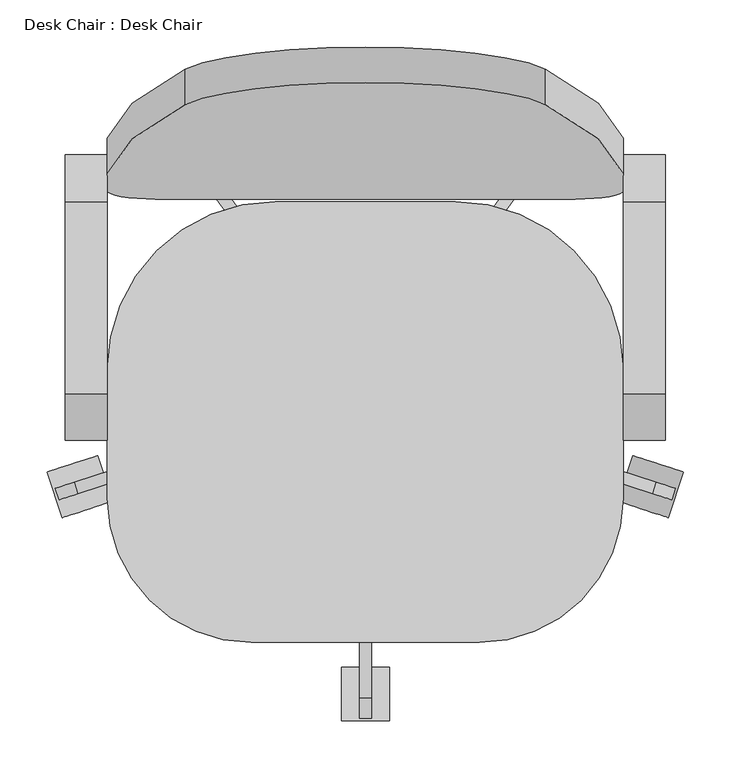
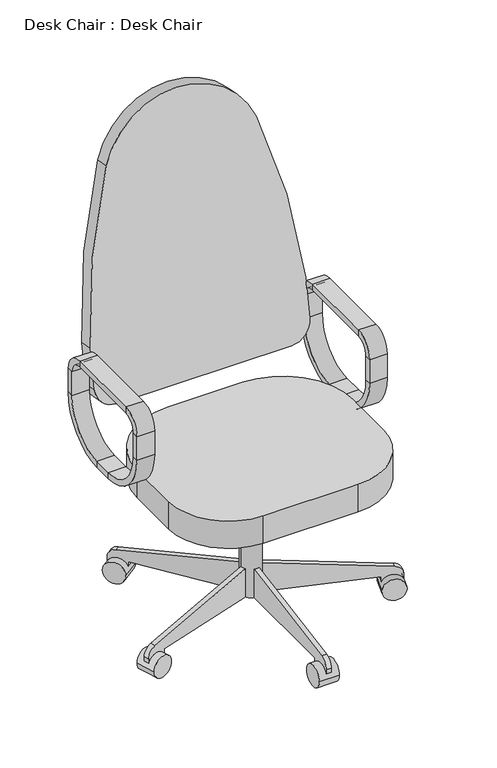
"""IFC4 building model written with IfcOpenShell, lengths in millimetres: furniture geometry, Desk Chair : Desk Chair."""

from ifc_helpers import new_model, si_unit, point, frame, frame_2d, origin, place, context, project, spatial, polyline, circle_curve, trimmed, segment, composite_curve, outline, extrude, source, transform, mapped, element, save
from ifc_brep_helpers import plane_surface, cylinder_surface, revolved_surface, advanced_brep


def desk_chair_desk_chair_a5be4872(model_context):
    return source(origin(), model_context, "Body", "SolidModel", [
        advanced_brep(
        [(-176.5091803, 217.7873012, 546.1), (-176.5091803, 233.6623012, 546.1), (-176.5091803, 108.0540984, 420.4917972), (-176.5091803, 108.0540984, 436.3667972), (-132.0591803, 217.7873012, 546.1), (-132.0591803, 108.0540984, 436.3667972), (-132.0591803, 233.6623012, 546.1), (-132.0591803, 108.0540984, 420.4917972), (-176.5091803, 217.7873012, 609.6), (-176.5091803, 233.6623012, 609.6), (-132.0591803, 217.7873012, 609.6), (-132.0591803, 233.6623012, 609.6), (-176.5091803, 184.2540984, 643.1332028), (-176.5091803, 184.2540984, 659.0082028), (-132.0591803, 184.2540984, 643.1332028), (-132.0591803, 184.2540984, 659.0082028), (-176.5091803, -18.9459016, 643.1332028), (-176.5091803, -18.9459016, 659.0082028), (-132.0591803, -18.9459016, 643.1332028), (-132.0591803, -18.9459016, 659.0082028), (-176.5091803, -52.4791044, 609.6), (-176.5091803, -68.3541044, 609.6), (-132.0591803, -52.4791044, 609.6), (-132.0591803, -68.3541044, 609.6), (-176.5091803, -52.4791044, 546.1), (-176.5091803, -68.3541044, 546.1), (-132.0591803, -52.4791044, 546.1), (-132.0591803, -68.3541044, 546.1), (-176.5091803, 57.2540984, 436.3667972), (-176.5091803, 57.2540984, 420.4917972), (-132.0591803, 57.2540984, 436.3667972), (-132.0591803, 57.2540984, 420.4917972)],
        [
            (0, 1),
            (1, 2, circle_curve(frame((-176.5091803, 108.0540984, 546.1), z_axis=(-1.0, 0.0, 0.0), x_axis=(0.0, 0.0, -1.0)), 125.6082028)),
            (2, 3),
            (3, 0, circle_curve(frame((-176.5091803, 108.0540984, 546.1), z_axis=(1.0, 0.0, 0.0), x_axis=(0.0, 0.0, -1.0)), 109.7332028)),
            (4, 0),
            (3, 5),
            (5, 4, circle_curve(frame((-132.0591803, 108.0540984, 546.1), z_axis=(1.0, 0.0, 0.0), x_axis=(0.0, 0.0, -1.0)), 109.7332028)),
            (6, 4),
            (5, 7),
            (7, 6, circle_curve(frame((-132.0591803, 108.0540984, 546.1), z_axis=(1.0, 0.0, 0.0), x_axis=(0.0, 0.0, -1.0)), 125.6082028)),
            (1, 6),
            (7, 2),
            (0, 8),
            (8, 9),
            (9, 1),
            (4, 10),
            (10, 8),
            (6, 11),
            (11, 10),
            (9, 11),
            (12, 13),
            (13, 9, circle_curve(frame((-176.5091803, 184.2540984, 609.6), z_axis=(-1.0, 0.0, 0.0), x_axis=(0.0, 1.0, 0.0)), 49.4082028)),
            (8, 12, circle_curve(frame((-176.5091803, 184.2540984, 609.6), z_axis=(1.0, 0.0, 0.0), x_axis=(0.0, 1.0, 0.0)), 33.5332028)),
            (14, 12),
            (10, 14, circle_curve(frame((-132.0591803, 184.2540984, 609.6), z_axis=(1.0, 0.0, 0.0), x_axis=(0.0, 1.0, 0.0)), 33.5332028)),
            (15, 14),
            (11, 15, circle_curve(frame((-132.0591803, 184.2540984, 609.6), z_axis=(1.0, 0.0, 0.0), x_axis=(0.0, 1.0, 0.0)), 49.4082028)),
            (13, 15),
            (12, 16),
            (16, 17),
            (17, 13),
            (14, 18),
            (18, 16),
            (15, 19),
            (19, 18),
            (17, 19),
            (20, 21),
            (21, 17, circle_curve(frame((-176.5091803, -18.9459016, 609.6), z_axis=(-1.0, 0.0, 0.0), x_axis=(0.0, 0.0, 1.0)), 49.4082028)),
            (16, 20, circle_curve(frame((-176.5091803, -18.9459016, 609.6), z_axis=(1.0, 0.0, 0.0), x_axis=(0.0, 0.0, 1.0)), 33.5332028)),
            (22, 20),
            (18, 22, circle_curve(frame((-132.0591803, -18.9459016, 609.6), z_axis=(1.0, 0.0, 0.0), x_axis=(0.0, 0.0, 1.0)), 33.5332028)),
            (23, 22),
            (19, 23, circle_curve(frame((-132.0591803, -18.9459016, 609.6), z_axis=(1.0, 0.0, 0.0), x_axis=(0.0, 0.0, 1.0)), 49.4082028)),
            (21, 23),
            (20, 24),
            (24, 25),
            (25, 21),
            (22, 26),
            (26, 24),
            (23, 27),
            (27, 26),
            (25, 27),
            (28, 29),
            (29, 25, circle_curve(frame((-176.5091803, 57.2540984, 546.1), z_axis=(-1.0, 0.0, 0.0), x_axis=(0.0, -1.0, 0.0)), 125.6082028)),
            (24, 28, circle_curve(frame((-176.5091803, 57.2540984, 546.1), z_axis=(1.0, 0.0, 0.0), x_axis=(0.0, -1.0, 0.0)), 109.7332028)),
            (30, 28),
            (26, 30, circle_curve(frame((-132.0591803, 57.2540984, 546.1), z_axis=(1.0, 0.0, 0.0), x_axis=(0.0, -1.0, 0.0)), 109.7332028)),
            (31, 30),
            (27, 31, circle_curve(frame((-132.0591803, 57.2540984, 546.1), z_axis=(1.0, 0.0, 0.0), x_axis=(0.0, -1.0, 0.0)), 125.6082028)),
            (29, 31),
            (28, 3),
            (2, 29),
            (30, 5),
            (31, 7),
        ],
        [
            plane_surface(frame((-176.5091803, 108.0540984, 546.1), z_axis=(-1.0, 0.0, 0.0), x_axis=(0.0, 0.0, -1.0))),
            revolved_surface(polyline([(-176.5091803, 108.0540984, 436.3667972), (-132.0591803, 108.0540984, 436.3667972)]), (-132.0591803, 108.0540984, 546.1), (-1.0, 0.0, 0.0)),
            plane_surface(frame((-132.0591803, 108.0540984, 546.1), z_axis=(1.0, 0.0, 0.0), x_axis=(0.0, 0.0, -1.0))),
            cylinder_surface(frame((-132.0591803, 108.0540984, 546.1), z_axis=(-1.0, 0.0, 0.0), x_axis=(0.0, 0.0, -1.0)), 125.6082028),
            plane_surface(frame((-176.5091803, 233.6623012, 546.1), z_axis=(-1.0, 0.0, 0.0), x_axis=(0.0, 0.0, 1.0))),
            plane_surface(frame((-176.5091803, 217.7873012, 546.1), z_axis=(0.0, -1.0, 0.0), x_axis=(0.0, 0.0, 1.0))),
            plane_surface(frame((-132.0591803, 217.7873012, 546.1), z_axis=(1.0, 0.0, 0.0), x_axis=(0.0, 0.0, 1.0))),
            plane_surface(frame((-132.0591803, 233.6623012, 546.1), z_axis=(0.0, 1.0, 0.0), x_axis=(0.0, 0.0, 1.0))),
            plane_surface(frame((-176.5091803, 184.2540984, 609.6), z_axis=(-1.0, 0.0, 0.0), x_axis=(0.0, 1.0, 0.0))),
            revolved_surface(polyline([(-176.5091803, 217.7873012, 609.6), (-132.0591803, 217.7873012, 609.6)]), (-132.0591803, 184.2540984, 609.6), (-1.0, 0.0, 0.0)),
            plane_surface(frame((-132.0591803, 184.2540984, 609.6), z_axis=(1.0, 0.0, 0.0), x_axis=(0.0, 1.0, 0.0))),
            cylinder_surface(frame((-132.0591803, 184.2540984, 609.6), z_axis=(-1.0, 0.0, 0.0), x_axis=(0.0, 1.0, 0.0)), 49.4082028),
            plane_surface(frame((-176.5091803, 184.2540984, 659.0082028), z_axis=(-1.0, 0.0, 0.0), x_axis=(0.0, -1.0, 0.0))),
            plane_surface(frame((-176.5091803, 184.2540984, 643.1332028), z_axis=(0.0, 0.0, -1.0), x_axis=(0.0, -1.0, 0.0))),
            plane_surface(frame((-132.0591803, 184.2540984, 643.1332028), z_axis=(1.0, 0.0, 0.0), x_axis=(0.0, -1.0, 0.0))),
            plane_surface(frame((-132.0591803, 184.2540984, 659.0082028), z_axis=(0.0, 0.0, 1.0), x_axis=(0.0, -1.0, 0.0))),
            plane_surface(frame((-176.5091803, -18.9459016, 609.6), z_axis=(-1.0, 0.0, 0.0), x_axis=(0.0, 0.0, 1.0))),
            revolved_surface(polyline([(-176.5091803, -18.9459016, 643.1332028), (-132.0591803, -18.9459016, 643.1332028)]), (-132.0591803, -18.9459016, 609.6), (-1.0, 0.0, 0.0)),
            plane_surface(frame((-132.0591803, -18.9459016, 609.6), z_axis=(1.0, 0.0, 0.0), x_axis=(0.0, 0.0, 1.0))),
            cylinder_surface(frame((-132.0591803, -18.9459016, 609.6), z_axis=(-1.0, 0.0, 0.0), x_axis=(0.0, 0.0, 1.0)), 49.4082028),
            plane_surface(frame((-176.5091803, -68.3541044, 609.6), z_axis=(-1.0, 0.0, 0.0), x_axis=(0.0, 0.0, -1.0))),
            plane_surface(frame((-176.5091803, -52.4791044, 609.6), z_axis=(0.0, 1.0, 0.0), x_axis=(0.0, 0.0, -1.0))),
            plane_surface(frame((-132.0591803, -52.4791044, 609.6), z_axis=(1.0, 0.0, 0.0), x_axis=(0.0, 0.0, -1.0))),
            plane_surface(frame((-132.0591803, -68.3541044, 609.6), z_axis=(0.0, -1.0, 0.0), x_axis=(0.0, 0.0, -1.0))),
            plane_surface(frame((-176.5091803, 57.2540984, 546.1), z_axis=(-1.0, 0.0, 0.0), x_axis=(0.0, -1.0, 0.0))),
            revolved_surface(polyline([(-176.5091803, -52.479104400000004, 546.1), (-132.0591803, -52.479104400000004, 546.1)]), (-132.0591803, 57.2540984, 546.1), (-1.0, 0.0, 0.0)),
            plane_surface(frame((-132.0591803, 57.2540984, 546.1), z_axis=(1.0, 0.0, 0.0), x_axis=(0.0, -1.0, 0.0))),
            cylinder_surface(frame((-132.0591803, 57.2540984, 546.1), z_axis=(-1.0, 0.0, 0.0), x_axis=(0.0, -1.0, 0.0)), 125.6082028),
            plane_surface(frame((-176.5091803, 57.2540984, 420.4917972), z_axis=(-1.0, 0.0, 0.0), x_axis=(0.0, 1.0, 0.0))),
            plane_surface(frame((-176.5091803, 57.2540984, 436.3667972), z_axis=(0.0, 0.0, 1.0), x_axis=(0.0, 1.0, 0.0))),
            plane_surface(frame((-132.0591803, 57.2540984, 436.3667972), z_axis=(1.0, 0.0, 0.0), x_axis=(0.0, 1.0, 0.0))),
            plane_surface(frame((-132.0591803, 57.2540984, 420.4917972), z_axis=(0.0, 0.0, -1.0), x_axis=(0.0, 1.0, 0.0))),
        ],
        [
            (0, [[1, 2, 3, 4]]),
            (1, [[5, -4, 6, 7]]),
            (2, [[8, -7, 9, 10]]),
            (3, [[11, -10, 12, -2]]),
            (4, [[13, 14, 15, -1]]),
            (5, [[16, 17, -13, -5]]),
            (6, [[18, 19, -16, -8]]),
            (7, [[-15, 20, -18, -11]]),
            (8, [[21, 22, -14, 23]]),
            (9, [[24, -23, -17, 25]]),
            (10, [[26, -25, -19, 27]]),
            (11, [[28, -27, -20, -22]]),
            (12, [[29, 30, 31, -21]]),
            (13, [[32, 33, -29, -24]]),
            (14, [[34, 35, -32, -26]]),
            (15, [[-31, 36, -34, -28]]),
            (16, [[37, 38, -30, 39]]),
            (17, [[40, -39, -33, 41]]),
            (18, [[42, -41, -35, 43]]),
            (19, [[44, -43, -36, -38]]),
            (20, [[45, 46, 47, -37]]),
            (21, [[48, 49, -45, -40]]),
            (22, [[50, 51, -48, -42]]),
            (23, [[-47, 52, -50, -44]]),
            (24, [[53, 54, -46, 55]]),
            (25, [[56, -55, -49, 57]]),
            (26, [[58, -57, -51, 59]]),
            (27, [[60, -59, -52, -54]]),
            (28, [[61, -3, 62, -53]]),
            (29, [[63, -6, -61, -56]]),
            (30, [[64, -9, -63, -58]]),
            (31, [[-62, -12, -64, -60]]),
        ],
    ),
        advanced_brep(
        [(414.0408197, 233.6623012, 546.1), (458.4908197, 233.6623012, 546.1), (458.4908197, 108.0540984, 420.4917972), (414.0408197, 108.0540984, 420.4917972), (414.0408197, 217.7873012, 546.1), (414.0408197, 108.0540984, 436.3667972), (458.4908197, 217.7873012, 546.1), (458.4908197, 108.0540984, 436.3667972), (414.0408197, 233.6623012, 609.6), (458.4908197, 233.6623012, 609.6), (414.0408197, 217.7873012, 609.6), (458.4908197, 217.7873012, 609.6), (414.0408197, 184.2540984, 659.0082028), (458.4908197, 184.2540984, 659.0082028), (414.0408197, 184.2540984, 643.1332028), (458.4908197, 184.2540984, 643.1332028), (414.0408197, -18.9459016, 659.0082028), (458.4908197, -18.9459016, 659.0082028), (414.0408197, -18.9459016, 643.1332028), (458.4908197, -18.9459016, 643.1332028), (414.0408197, -68.3541044, 609.6), (458.4908197, -68.3541044, 609.6), (414.0408197, -52.4791044, 609.6), (458.4908197, -52.4791044, 609.6), (414.0408197, -68.3541044, 546.1), (458.4908197, -68.3541044, 546.1), (414.0408197, -52.4791044, 546.1), (458.4908197, -52.4791044, 546.1), (414.0408197, 57.2540984, 420.4917972), (458.4908197, 57.2540984, 420.4917972), (414.0408197, 57.2540984, 436.3667972), (458.4908197, 57.2540984, 436.3667972)],
        [
            (0, 1),
            (1, 2, circle_curve(frame((458.4908197, 108.0540984, 546.1), z_axis=(-1.0, 0.0, 0.0), x_axis=(0.0, 0.0, -1.0)), 125.6082028)),
            (2, 3),
            (3, 0, circle_curve(frame((414.0408197, 108.0540984, 546.1), z_axis=(1.0, 0.0, 0.0), x_axis=(0.0, 0.0, -1.0)), 125.6082028)),
            (4, 0),
            (3, 5),
            (5, 4, circle_curve(frame((414.0408197, 108.0540984, 546.1), z_axis=(1.0, 0.0, 0.0), x_axis=(0.0, 0.0, -1.0)), 109.7332028)),
            (6, 4),
            (5, 7),
            (7, 6, circle_curve(frame((458.4908197, 108.0540984, 546.1), z_axis=(1.0, 0.0, 0.0), x_axis=(0.0, 0.0, -1.0)), 109.7332028)),
            (1, 6),
            (7, 2),
            (0, 8),
            (8, 9),
            (9, 1),
            (4, 10),
            (10, 8),
            (6, 11),
            (11, 10),
            (9, 11),
            (12, 13),
            (13, 9, circle_curve(frame((458.4908197, 184.2540984, 609.6), z_axis=(-1.0, 0.0, 0.0), x_axis=(0.0, 1.0, 0.0)), 49.4082028)),
            (8, 12, circle_curve(frame((414.0408197, 184.2540984, 609.6), z_axis=(1.0, 0.0, 0.0), x_axis=(0.0, 1.0, 0.0)), 49.4082028)),
            (14, 12),
            (10, 14, circle_curve(frame((414.0408197, 184.2540984, 609.6), z_axis=(1.0, 0.0, 0.0), x_axis=(0.0, 1.0, 0.0)), 33.5332028)),
            (15, 14),
            (11, 15, circle_curve(frame((458.4908197, 184.2540984, 609.6), z_axis=(1.0, 0.0, 0.0), x_axis=(0.0, 1.0, 0.0)), 33.5332028)),
            (13, 15),
            (12, 16),
            (16, 17),
            (17, 13),
            (14, 18),
            (18, 16),
            (15, 19),
            (19, 18),
            (17, 19),
            (20, 21),
            (21, 17, circle_curve(frame((458.4908197, -18.9459016, 609.6), z_axis=(-1.0, 0.0, 0.0), x_axis=(0.0, 0.0, 1.0)), 49.4082028)),
            (16, 20, circle_curve(frame((414.0408197, -18.9459016, 609.6), z_axis=(1.0, 0.0, 0.0), x_axis=(0.0, 0.0, 1.0)), 49.4082028)),
            (22, 20),
            (18, 22, circle_curve(frame((414.0408197, -18.9459016, 609.6), z_axis=(1.0, 0.0, 0.0), x_axis=(0.0, 0.0, 1.0)), 33.5332028)),
            (23, 22),
            (19, 23, circle_curve(frame((458.4908197, -18.9459016, 609.6), z_axis=(1.0, 0.0, 0.0), x_axis=(0.0, 0.0, 1.0)), 33.5332028)),
            (21, 23),
            (20, 24),
            (24, 25),
            (25, 21),
            (22, 26),
            (26, 24),
            (23, 27),
            (27, 26),
            (25, 27),
            (28, 29),
            (29, 25, circle_curve(frame((458.4908197, 57.2540984, 546.1), z_axis=(-1.0, 0.0, 0.0), x_axis=(0.0, -1.0, 0.0)), 125.6082028)),
            (24, 28, circle_curve(frame((414.0408197, 57.2540984, 546.1), z_axis=(1.0, 0.0, 0.0), x_axis=(0.0, -1.0, 0.0)), 125.6082028)),
            (30, 28),
            (26, 30, circle_curve(frame((414.0408197, 57.2540984, 546.1), z_axis=(1.0, 0.0, 0.0), x_axis=(0.0, -1.0, 0.0)), 109.7332028)),
            (31, 30),
            (27, 31, circle_curve(frame((458.4908197, 57.2540984, 546.1), z_axis=(1.0, 0.0, 0.0), x_axis=(0.0, -1.0, 0.0)), 109.7332028)),
            (29, 31),
            (28, 3),
            (2, 29),
            (30, 5),
            (31, 7),
        ],
        [
            cylinder_surface(frame((414.0408197, 108.0540984, 546.1), z_axis=(-1.0, 0.0, 0.0), x_axis=(0.0, 0.0, -1.0)), 125.6082028),
            plane_surface(frame((414.0408197, 108.0540984, 546.1), z_axis=(-1.0, 0.0, 0.0), x_axis=(0.0, 0.0, -1.0))),
            revolved_surface(polyline([(414.0408197, 108.0540984, 436.3667972), (458.4908197, 108.0540984, 436.3667972)]), (414.0408197, 108.0540984, 546.1), (-1.0, 0.0, 0.0)),
            plane_surface(frame((458.4908197, 108.0540984, 546.1), z_axis=(1.0, 0.0, 0.0), x_axis=(0.0, 0.0, -1.0))),
            plane_surface(frame((458.4908197, 233.6623012, 546.1), z_axis=(0.0, 1.0, 0.0), x_axis=(0.0, 0.0, 1.0))),
            plane_surface(frame((414.0408197, 233.6623012, 546.1), z_axis=(-1.0, 0.0, 0.0), x_axis=(0.0, 0.0, 1.0))),
            plane_surface(frame((414.0408197, 217.7873012, 546.1), z_axis=(0.0, -1.0, 0.0), x_axis=(0.0, 0.0, 1.0))),
            plane_surface(frame((458.4908197, 217.7873012, 546.1), z_axis=(1.0, 0.0, 0.0), x_axis=(0.0, 0.0, 1.0))),
            cylinder_surface(frame((414.0408197, 184.2540984, 609.6), z_axis=(-1.0, 0.0, 0.0), x_axis=(0.0, 1.0, 0.0)), 49.4082028),
            plane_surface(frame((414.0408197, 184.2540984, 609.6), z_axis=(-1.0, 0.0, 0.0), x_axis=(0.0, 1.0, 0.0))),
            revolved_surface(polyline([(414.0408197, 217.7873012, 609.6), (458.4908197, 217.7873012, 609.6)]), (414.0408197, 184.2540984, 609.6), (-1.0, 0.0, 0.0)),
            plane_surface(frame((458.4908197, 184.2540984, 609.6), z_axis=(1.0, 0.0, 0.0), x_axis=(0.0, 1.0, 0.0))),
            plane_surface(frame((458.4908197, 184.2540984, 659.0082028), z_axis=(0.0, 0.0, 1.0), x_axis=(0.0, -1.0, 0.0))),
            plane_surface(frame((414.0408197, 184.2540984, 659.0082028), z_axis=(-1.0, 0.0, 0.0), x_axis=(0.0, -1.0, 0.0))),
            plane_surface(frame((414.0408197, 184.2540984, 643.1332028), z_axis=(0.0, 0.0, -1.0), x_axis=(0.0, -1.0, 0.0))),
            plane_surface(frame((458.4908197, 184.2540984, 643.1332028), z_axis=(1.0, 0.0, 0.0), x_axis=(0.0, -1.0, 0.0))),
            cylinder_surface(frame((414.0408197, -18.9459016, 609.6), z_axis=(-1.0, 0.0, 0.0), x_axis=(0.0, 0.0, 1.0)), 49.4082028),
            plane_surface(frame((414.0408197, -18.9459016, 609.6), z_axis=(-1.0, 0.0, 0.0), x_axis=(0.0, 0.0, 1.0))),
            revolved_surface(polyline([(414.0408197, -18.9459016, 643.1332028), (458.4908197, -18.9459016, 643.1332028)]), (414.0408197, -18.9459016, 609.6), (-1.0, 0.0, 0.0)),
            plane_surface(frame((458.4908197, -18.9459016, 609.6), z_axis=(1.0, 0.0, 0.0), x_axis=(0.0, 0.0, 1.0))),
            plane_surface(frame((458.4908197, -68.3541044, 609.6), z_axis=(0.0, -1.0, 0.0), x_axis=(0.0, 0.0, -1.0))),
            plane_surface(frame((414.0408197, -68.3541044, 609.6), z_axis=(-1.0, 0.0, 0.0), x_axis=(0.0, 0.0, -1.0))),
            plane_surface(frame((414.0408197, -52.4791044, 609.6), z_axis=(0.0, 1.0, 0.0), x_axis=(0.0, 0.0, -1.0))),
            plane_surface(frame((458.4908197, -52.4791044, 609.6), z_axis=(1.0, 0.0, 0.0), x_axis=(0.0, 0.0, -1.0))),
            cylinder_surface(frame((414.0408197, 57.2540984, 546.1), z_axis=(-1.0, 0.0, 0.0), x_axis=(0.0, -1.0, 0.0)), 125.6082028),
            plane_surface(frame((414.0408197, 57.2540984, 546.1), z_axis=(-1.0, 0.0, 0.0), x_axis=(0.0, -1.0, 0.0))),
            revolved_surface(polyline([(414.0408197, -52.479104400000004, 546.1), (458.4908197, -52.479104400000004, 546.1)]), (414.0408197, 57.2540984, 546.1), (-1.0, 0.0, 0.0)),
            plane_surface(frame((458.4908197, 57.2540984, 546.1), z_axis=(1.0, 0.0, 0.0), x_axis=(0.0, -1.0, 0.0))),
            plane_surface(frame((458.4908197, 57.2540984, 420.4917972), z_axis=(0.0, 0.0, -1.0), x_axis=(0.0, 1.0, 0.0))),
            plane_surface(frame((414.0408197, 57.2540984, 420.4917972), z_axis=(-1.0, 0.0, 0.0), x_axis=(0.0, 1.0, 0.0))),
            plane_surface(frame((414.0408197, 57.2540984, 436.3667972), z_axis=(0.0, 0.0, 1.0), x_axis=(0.0, 1.0, 0.0))),
            plane_surface(frame((458.4908197, 57.2540984, 436.3667972), z_axis=(1.0, 0.0, 0.0), x_axis=(0.0, 1.0, 0.0))),
        ],
        [
            (0, [[1, 2, 3, 4]]),
            (1, [[5, -4, 6, 7]]),
            (2, [[8, -7, 9, 10]]),
            (3, [[11, -10, 12, -2]]),
            (4, [[13, 14, 15, -1]]),
            (5, [[16, 17, -13, -5]]),
            (6, [[18, 19, -16, -8]]),
            (7, [[-15, 20, -18, -11]]),
            (8, [[21, 22, -14, 23]]),
            (9, [[24, -23, -17, 25]]),
            (10, [[26, -25, -19, 27]]),
            (11, [[28, -27, -20, -22]]),
            (12, [[29, 30, 31, -21]]),
            (13, [[32, 33, -29, -24]]),
            (14, [[34, 35, -32, -26]]),
            (15, [[-31, 36, -34, -28]]),
            (16, [[37, 38, -30, 39]]),
            (17, [[40, -39, -33, 41]]),
            (18, [[42, -41, -35, 43]]),
            (19, [[44, -43, -36, -38]]),
            (20, [[45, 46, 47, -37]]),
            (21, [[48, 49, -45, -40]]),
            (22, [[50, 51, -48, -42]]),
            (23, [[-47, 52, -50, -44]]),
            (24, [[53, 54, -46, 55]]),
            (25, [[56, -55, -49, 57]]),
            (26, [[58, -57, -51, 59]]),
            (27, [[60, -59, -52, -54]]),
            (28, [[61, -3, 62, -53]]),
            (29, [[63, -6, -61, -56]]),
            (30, [[64, -9, -63, -58]]),
            (31, [[-62, -12, -64, -60]]),
        ],
    ),
        extrude(outline(composite_curve([segment(polyline([(0.0, 0.0), (-444.5, 0.0)]), True, "CONTINUOUS"), segment(trimmed(circle_curve(frame_2d((-444.5, 50.8)), 50.8), [point((-444.5, 0.0))], [point((-495.3, 50.8))], False, "CARTESIAN"), True, "CONTINUOUS"), segment(polyline([(-495.3, 50.8), (-495.3, 152.4)]), True, "CONTINUOUS"), segment(trimmed(circle_curve(frame_2d((1026.7021854, 74.3913617)), 1524.0), [point((-495.3, 152.4))], [point((-412.75, 574.9444618))], False, "CARTESIAN"), True, "CONTINUOUS"), segment(trimmed(circle_curve(frame_2d((-222.25, 504.2338544)), 203.2), [point((-412.75, 574.9444618))], [point((-31.75, 574.9444618))], False, "CARTESIAN"), True, "CONTINUOUS"), segment(trimmed(circle_curve(frame_2d((-1471.2021854, 74.3913617)), 1524.0), [point((-31.75, 574.9444618))], [point((50.8, 152.4))], False, "CARTESIAN"), True, "CONTINUOUS"), segment(polyline([(50.8, 152.4), (50.8, 50.8)]), True, "CONTINUOUS"), segment(trimmed(circle_curve(frame_2d((0.0, 50.8)), 50.8), [point((50.8, 50.8))], [point((0.0, 0.0))], False, "CARTESIAN"), True, "CONTINUOUS")], self_intersect=False)), frame((363.2408197, 224.5698964, 503.1641822), z_axis=(0.0, -0.9848077530122084, 0.17364817766692853), x_axis=(1.0, 0.0, 0.0)), (0.0, 0.0, 1.0), 38.1),
        extrude(outline(composite_curve([segment(polyline([(-132.0591803, -129.4961016), (-132.0591803, 6.4540984)]), True, "CONTINUOUS"), segment(trimmed(circle_curve(frame_2d((45.7408197, 6.4540984)), 177.8), [point((-132.0591803, 6.4540984))], [point((45.7408197, 184.2540984))], False, "CARTESIAN"), True, "CONTINUOUS"), segment(polyline([(45.7408197, 184.2540984), (236.2408197, 184.2540984)]), True, "CONTINUOUS"), segment(trimmed(circle_curve(frame_2d((236.2408197, 6.4540984)), 177.8), [point((236.2408197, 184.2540984))], [point((414.0408197, 6.4540984))], False, "CARTESIAN"), True, "CONTINUOUS"), segment(polyline([(414.0408197, 6.4540984), (414.0408197, -129.4961016)]), True, "CONTINUOUS"), segment(trimmed(circle_curve(frame_2d((261.6408197, -129.4961016)), 152.4), [point((414.0408197, -129.4961016))], [point((261.6408197, -281.8961016))], False, "CARTESIAN"), True, "CONTINUOUS"), segment(polyline([(261.6408197, -281.8961016), (20.3408197, -281.8961016)]), True, "CONTINUOUS"), segment(trimmed(circle_curve(frame_2d((20.3408197, -129.4961016)), 152.4), [point((20.3408197, -281.8961016))], [point((-132.0591803, -129.4961016))], False, "CARTESIAN"), True, "CONTINUOUS")], self_intersect=False)), frame((0.0, 0.0, 383.7835944), z_axis=(0.0, 0.0, 1.0), x_axis=(1.0, 0.0, 0.0)), (0.0, 0.0, 1.0), 73.4164056),
        extrude(outline(composite_curve([segment(trimmed(circle_curve(frame_2d((140.9908197, -18.9459016)), 25.4), [point((115.5908197, -18.9459016))], [point((166.3908197, -18.9459016))], False, "CARTESIAN"), True, "CONTINUOUS"), segment(trimmed(circle_curve(frame_2d((140.9908197, -18.9459016)), 25.4), [point((166.3908197, -18.9459016))], [point((115.5908197, -18.9459016))], False, "CARTESIAN"), True, "CONTINUOUS")], self_intersect=False)), frame((0.0, 0.0, 53.5835944), z_axis=(0.0, 0.0, 1.0), x_axis=(1.0, 0.0, 0.0)), (0.0, 0.0, 1.0), 330.5914056),
        extrude(outline(composite_curve([segment(trimmed(circle_curve(frame_2d((0.0, 28.2002728)), 28.2002727), [point((0.0, 56.4005455))], [point((0.0, 0.0))], False, "CARTESIAN"), True, "CONTINUOUS"), segment(trimmed(circle_curve(frame_2d((0.0, 28.2002728)), 28.2002727), [point((0.0, 0.0))], [point((0.0, 56.4005455))], False, "CARTESIAN"), True, "CONTINUOUS")], self_intersect=False)), frame((461.9222851, -149.9299964, 28.1835944), z_axis=(0.3090169943749423, 0.9510565162951553, 0.0), x_axis=(0.0, 0.0, -1.0)), (0.0, 0.0, 1.0), 50.8),
        extrude(outline(composite_curve([segment(polyline([(25.4, 0.0), (0.0, 0.0), (0.0, 50.8), (24.303053, 50.8)]), True, "CONTINUOUS"), segment(trimmed(circle_curve(frame_2d((24.303053, 25.4)), 25.4), [point((24.303053, 50.8))], [point((49.3171699, 29.8106636))], False, "CARTESIAN"), True, "CONTINUOUS"), segment(polyline([(49.3171699, 29.8106636), (101.6, -266.7), (101.6, -292.1), (25.4, -292.1), (25.4, 0.0)]), True, "CONTINUOUS")], self_intersect=False)), frame((416.8321702, -115.2489746, 28.1835944), z_axis=(0.3090169943749423, 0.9510565162951553, 0.0), x_axis=(0.0, 0.0, 1.0)), (0.0, 0.0, 1.0), 12.7),
        extrude(outline(composite_curve([segment(trimmed(circle_curve(frame_2d((0.0, 28.2002726)), 28.2002727), [point((0.0, 56.4005454))], [point((0.0, 0.0))], False, "CARTESIAN"), True, "CONTINUOUS"), segment(trimmed(circle_curve(frame_2d((0.0, 28.2002726)), 28.2002727), [point((0.0, 0.0))], [point((0.0, 56.4005454))], False, "CARTESIAN"), True, "CONTINUOUS")], self_intersect=False)), frame((364.7373733, 245.8017485, 28.1835944), z_axis=(-0.8090169943749499, 0.5877852522924699, 0.0), x_axis=(0.0, 0.0, -1.0)), (0.0, 0.0, 1.0), 50.8),
        extrude(outline(composite_curve([segment(polyline([(25.4, 0.0), (0.0, 0.0), (0.0, 50.8), (24.303053, 50.8)]), True, "CONTINUOUS"), segment(trimmed(circle_curve(frame_2d((24.303053, 25.3999999)), 25.4), [point((24.303053, 50.8))], [point((49.3171699, 29.8106637))], False, "CARTESIAN"), True, "CONTINUOUS"), segment(polyline([(49.3171699, 29.8106637), (101.6, -266.7), (101.6, -292.1), (25.4, -292.1), (25.4, 0.0)]), True, "CONTINUOUS")], self_intersect=False)), frame((317.8201498, 213.6355261, 28.1835944), z_axis=(-0.8090169943749499, 0.5877852522924699, 0.0), x_axis=(0.0, 0.0, 1.0)), (0.0, 0.0, 1.0), 12.7),
        extrude(outline(composite_curve([segment(trimmed(circle_curve(frame_2d((0.0, 28.2002726)), 28.2002727), [point((0.0, 56.4005454))], [point((0.0, 0.0))], False, "CARTESIAN"), True, "CONTINUOUS"), segment(trimmed(circle_curve(frame_2d((0.0, 28.2002726)), 28.2002727), [point((0.0, 0.0))], [point((0.0, 56.4005454))], False, "CARTESIAN"), True, "CONTINUOUS")], self_intersect=False)), frame((-82.755734, 245.8017485, 28.1835944), z_axis=(0.8090169943749458, 0.5877852522924754, 0.0), x_axis=(0.0, 0.0, 1.0)), (0.0, 0.0, 1.0), 50.8),
        extrude(outline(composite_curve([segment(polyline([(-25.4, 0.0), (-25.4, -292.1), (-101.6, -292.1), (-101.6, -266.6999999), (-49.3171699, 29.8106637)]), True, "CONTINUOUS"), segment(trimmed(circle_curve(frame_2d((-24.303053, 25.3999999)), 25.4), [point((-49.3171699, 29.8106637))], [point((-24.303053, 50.8))], False, "CARTESIAN"), True, "CONTINUOUS"), segment(polyline([(-24.303053, 50.8), (0.0, 50.8), (0.0, 0.0), (-25.4, 0.0)]), True, "CONTINUOUS")], self_intersect=False)), frame((-35.8385104, 213.6355261, 28.1835944), z_axis=(0.8090169943749459, 0.5877852522924754, 0.0), x_axis=(0.0, 0.0, -1.0)), (0.0, 0.0, 1.0), 12.7),
        extrude(outline(composite_curve([segment(trimmed(circle_curve(frame_2d((0.0, 28.2002727)), 28.2002727), [point((0.0, 56.4005454))], [point((0.0, 0.0))], False, "CARTESIAN"), True, "CONTINUOUS"), segment(trimmed(circle_curve(frame_2d((0.0, 28.2002727)), 28.2002727), [point((0.0, 0.0))], [point((0.0, 56.4005454))], False, "CARTESIAN"), True, "CONTINUOUS")], self_intersect=False)), frame((-179.9406457, -149.9299964, 28.1835944), z_axis=(-0.3090169943749487, 0.9510565162951532, 0.0), x_axis=(0.0, 0.0, 1.0)), (0.0, 0.0, 1.0), 50.8),
        extrude(outline(composite_curve([segment(polyline([(-25.4, 0.0), (-25.4, -292.1), (-101.6, -292.1), (-101.6, -266.7), (-49.3171699, 29.8106637)]), True, "CONTINUOUS"), segment(trimmed(circle_curve(frame_2d((-24.303053, 25.4)), 25.4), [point((-49.3171699, 29.8106637))], [point((-24.303053, 50.8000001))], False, "CARTESIAN"), True, "CONTINUOUS"), segment(polyline([(-24.303053, 50.8000001), (0.0, 50.8000001), (0.0, 0.0), (-25.4, 0.0)]), True, "CONTINUOUS")], self_intersect=False)), frame((-134.8505308, -115.2489746, 28.1835944), z_axis=(-0.3090169943749487, 0.9510565162951532, 0.0), x_axis=(0.0, 0.0, -1.0)), (0.0, 0.0, 1.0), 12.7),
        extrude(outline(composite_curve([segment(trimmed(circle_curve(frame_2d((-336.4459016, 28.1835944)), 28.2002727), [point((-308.2456289, 28.1835944))], [point((-364.6461744, 28.1835944))], False, "CARTESIAN"), True, "CONTINUOUS"), segment(trimmed(circle_curve(frame_2d((-336.4459016, 28.1835944)), 28.2002727), [point((-364.6461744, 28.1835944))], [point((-308.2456289, 28.1835944))], False, "CARTESIAN"), True, "CONTINUOUS")], self_intersect=False)), frame((115.5908197, 0.0, 0.0), z_axis=(1.0, 0.0, 0.0), x_axis=(0.0, 1.0, 0.0)), (0.0, 0.0, 1.0), 50.8),
        extrude(outline(composite_curve([segment(polyline([(-311.0459016, 53.5835944), (-311.0459016, 28.1835944), (-361.8459016, 28.1835944), (-361.8459016, 52.4866474)]), True, "CONTINUOUS"), segment(trimmed(circle_curve(frame_2d((-336.4459016, 52.4866474)), 25.4), [point((-361.8459016, 52.4866474))], [point((-340.8565654, 77.5007643))], False, "CARTESIAN"), True, "CONTINUOUS"), segment(polyline([(-340.8565654, 77.5007643), (-44.3459016, 129.7835944), (-18.9459016, 129.7835944), (-18.9459016, 53.5835944), (-311.0459016, 53.5835944)]), True, "CONTINUOUS")], self_intersect=False)), frame((134.6408197, 0.0, 0.0), z_axis=(1.0, 0.0, 0.0), x_axis=(0.0, 1.0, 0.0)), (0.0, 0.0, 1.0), 12.7),
        extrude(outline(polyline([(-69.7459016, 383.7835944), (19.1540984, 383.7835944), (19.1540984, 283.0954134), (-18.9459016, 283.0954134), (-69.7459016, 371.0835944), (-69.7459016, 383.7835944)])), frame((90.1908197, 0.0, 0.0), z_axis=(1.0, 0.0, 0.0), x_axis=(0.0, 1.0, 0.0)), (0.0, 0.0, 1.0), 101.6),
    ])


if __name__ == "__main__":
    model = new_model("IFC4")
    model_context = context("Model", 3, world=origin())
    ifc_project = project(units=[si_unit("LENGTHUNIT", "METRE", prefix="MILLI")], contexts=[model_context])
    site = spatial("IfcSite", under=ifc_project)
    building = spatial("IfcBuilding", under=site)
    placement = place(None, origin())
    desk_chair_desk_chair_shape = desk_chair_desk_chair_a5be4872(model_context)
    element("IfcFurniture", 1, ObjectType="Desk Chair : Desk Chair", at=placement, inside=building, context=model_context, shape_type="MappedRepresentation", body=[
        mapped(desk_chair_desk_chair_shape, transform((0.0, 0.0, 0.0), x_axis=(1.0, 0.0, 0.0), y_axis=(0.0, 1.0, 0.0), z_axis=(0.0, 0.0, 1.0))),
    ])
    save(model, "model.ifc")
